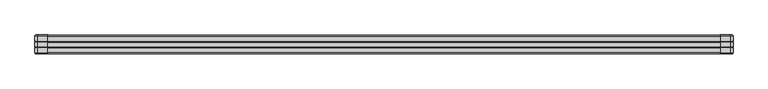
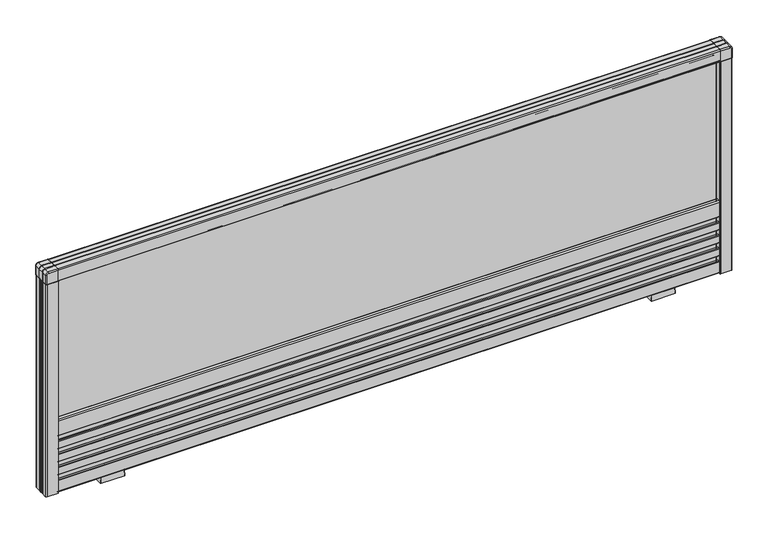
"""IFC4 building model written with IfcOpenShell, lengths in millimetres: furniture geometry."""

from ifc_helpers import new_model, si_unit, point, frame, frame_2d, origin, place, context, project, spatial, polyline, circle_curve, ellipse_curve, trimmed, segment, composite_curve, outline, extrude, source, transform, mapped, element, save
from ifc_brep_helpers import plane_surface, cylinder_surface, revolved_surface, extruded_surface, advanced_brep


def furniture_46325748(model_context):
    return source(origin(), model_context, "Body", "SolidModel", [
        extrude(outline(composite_curve([segment(polyline([(-3.25, 377.0), (-12.65, 377.0)]), True, "CONTINUOUS"), segment(trimmed(circle_curve(frame_2d((-12.65, 377.5)), 0.5), [point((-12.65, 377.0))], [point((-13.15, 377.5))], False, "CARTESIAN"), True, "CONTINUOUS"), segment(polyline([(-13.15, 377.5), (-13.15, 383.995804), (13.15, 383.995804), (13.15, 377.5)]), True, "CONTINUOUS"), segment(trimmed(circle_curve(frame_2d((12.65, 377.5)), 0.5), [point((13.15, 377.5))], [point((12.65, 377.0))], False, "CARTESIAN"), True, "CONTINUOUS"), segment(polyline([(12.65, 377.0), (3.25, 377.0)]), True, "CONTINUOUS"), segment(trimmed(circle_curve(frame_2d((3.25, 377.5)), 0.5), [point((3.25, 377.0))], [point((2.75, 377.5))], False, "CARTESIAN"), True, "CONTINUOUS"), segment(polyline([(2.75, 377.5), (2.75, 382.495804), (-2.75, 382.495804), (-2.75, 377.5)]), True, "CONTINUOUS"), segment(trimmed(circle_curve(frame_2d((-3.25, 377.5)), 0.5), [point((-2.75, 377.5))], [point((-3.25, 377.0))], False, "CARTESIAN"), True, "CONTINUOUS")], self_intersect=False)), frame((-541.0, 0.0, 0.0), z_axis=(1.0, 0.0, 0.0), x_axis=(0.0, 1.0, 0.0)), (0.0, 0.0, 1.0), 1082.0),
        extrude(outline(composite_curve([segment(trimmed(circle_curve(frame_2d((-13.0, 395.0)), 2.0), [point((-15.0, 395.0))], [point((-13.0, 397.0))], False, "CARTESIAN"), True, "CONTINUOUS"), segment(polyline([(-13.0, 397.0), (-5.2141428, 397.0)]), True, "CONTINUOUS"), segment(trimmed(circle_curve(frame_2d((-4.5, 397.7)), 1.0), [point((-5.2141428, 397.0))], [point((-3.7858572, 397.0))], True, "CARTESIAN"), True, "CONTINUOUS"), segment(polyline([(-3.7858572, 397.0), (3.7858572, 397.0)]), True, "CONTINUOUS"), segment(trimmed(circle_curve(frame_2d((4.5, 397.7)), 1.0), [point((3.7858572, 397.0))], [point((5.2141428, 397.0))], True, "CARTESIAN"), True, "CONTINUOUS"), segment(polyline([(5.2141428, 397.0), (13.0, 397.0)]), True, "CONTINUOUS"), segment(trimmed(circle_curve(frame_2d((13.0, 395.0)), 2.0), [point((13.0, 397.0))], [point((15.0, 395.0))], False, "CARTESIAN"), True, "CONTINUOUS"), segment(polyline([(15.0, 395.0), (15.0, 377.5)]), True, "CONTINUOUS"), segment(trimmed(circle_curve(frame_2d((14.5, 377.5)), 0.5), [point((15.0, 377.5))], [point((14.5, 377.0))], False, "CARTESIAN"), True, "CONTINUOUS"), segment(polyline([(14.5, 377.0), (13.15, 377.0), (13.15, 383.995804), (-13.15, 383.995804), (-13.15, 377.0), (-14.5, 377.0)]), True, "CONTINUOUS"), segment(trimmed(circle_curve(frame_2d((-14.5, 377.5)), 0.5), [point((-14.5, 377.0))], [point((-15.0, 377.5))], False, "CARTESIAN"), True, "CONTINUOUS"), segment(polyline([(-15.0, 377.5), (-15.0, 395.0)]), True, "CONTINUOUS")], self_intersect=False)), frame((-541.0, 0.0, 0.0), z_axis=(1.0, 0.0, 0.0), x_axis=(0.0, 1.0, 0.0)), (0.0, 0.0, 1.0), 1082.0),
        extrude(outline(composite_curve([segment(trimmed(circle_curve(frame_2d((-12.0, 30.0)), 1.0), [point((-13.0, 30.0))], [point((-12.0, 31.0))], False, "CARTESIAN"), True, "CONTINUOUS"), segment(polyline([(-12.0, 31.0), (-9.2004126, 31.0), (-9.2004126, 25.0), (-1.7500068, 25.0), (-1.7500068, 46.0), (-9.2004126, 46.0), (-9.2004126, 40.0), (-12.0, 40.0)]), True, "CONTINUOUS"), segment(trimmed(circle_curve(frame_2d((-12.0, 41.0)), 1.0), [point((-12.0, 40.0))], [point((-13.0, 41.0))], False, "CARTESIAN"), True, "CONTINUOUS"), segment(polyline([(-13.0, 41.0), (-13.0, 52.5)]), True, "CONTINUOUS"), segment(trimmed(circle_curve(frame_2d((-12.0, 52.5)), 1.0), [point((-13.0, 52.5))], [point((-12.0, 53.5))], False, "CARTESIAN"), True, "CONTINUOUS"), segment(polyline([(-12.0, 53.5), (-9.2004126, 53.5), (-9.2004126, 47.5), (-1.7500068, 47.5), (-1.7500068, 68.5), (-9.2004126, 68.5), (-9.2004126, 62.5), (-12.0, 62.5)]), True, "CONTINUOUS"), segment(trimmed(circle_curve(frame_2d((-12.0, 63.5)), 1.0), [point((-12.0, 62.5))], [point((-13.0, 63.5))], False, "CARTESIAN"), True, "CONTINUOUS"), segment(polyline([(-13.0, 63.5), (-13.0, 75.0)]), True, "CONTINUOUS"), segment(trimmed(circle_curve(frame_2d((-12.0, 75.0)), 1.0), [point((-13.0, 75.0))], [point((-12.0, 76.0))], False, "CARTESIAN"), True, "CONTINUOUS"), segment(polyline([(-12.0, 76.0), (-9.2004126, 76.0), (-9.2004126, 70.0), (-1.7500068, 70.0), (-1.7500068, 91.0), (-9.2004126, 91.0), (-9.2004126, 85.0), (-12.0, 85.0)]), True, "CONTINUOUS"), segment(trimmed(circle_curve(frame_2d((-12.0, 86.0)), 1.0), [point((-12.0, 85.0))], [point((-13.0, 86.0))], False, "CARTESIAN"), True, "CONTINUOUS"), segment(polyline([(-13.0, 86.0), (-13.0, 97.5)]), True, "CONTINUOUS"), segment(trimmed(circle_curve(frame_2d((-12.0, 97.5)), 1.0), [point((-13.0, 97.5))], [point((-12.0, 98.5))], False, "CARTESIAN"), True, "CONTINUOUS"), segment(polyline([(-12.0, 98.5), (-9.2004126, 98.5), (-9.2004126, 92.5), (-1.7500068, 92.5), (-1.7500068, 113.5), (-9.2004126, 113.5), (-9.2004126, 107.5), (-12.0, 107.5)]), True, "CONTINUOUS"), segment(trimmed(circle_curve(frame_2d((-12.0, 108.5)), 1.0), [point((-12.0, 107.5))], [point((-13.0, 108.5))], False, "CARTESIAN"), True, "CONTINUOUS"), segment(polyline([(-13.0, 108.5), (-13.0, 133.0)]), True, "CONTINUOUS"), segment(trimmed(circle_curve(frame_2d((-11.0, 133.0)), 2.0), [point((-13.0, 133.0))], [point((-11.0, 135.0))], False, "CARTESIAN"), True, "CONTINUOUS"), segment(polyline([(-11.0, 135.0), (-6.0, 135.0)]), True, "CONTINUOUS"), segment(trimmed(circle_curve(frame_2d((-6.0, 134.5)), 0.5), [point((-6.0, 135.0))], [point((-5.5, 134.5))], False, "CARTESIAN"), True, "CONTINUOUS"), segment(polyline([(-5.5, 134.5), (-5.5, 115.0), (0.0, 115.0), (5.5, 115.0), (5.5, 134.5)]), True, "CONTINUOUS"), segment(trimmed(circle_curve(frame_2d((6.0, 134.5)), 0.5), [point((5.5, 134.5))], [point((6.0, 135.0))], False, "CARTESIAN"), True, "CONTINUOUS"), segment(polyline([(6.0, 135.0), (11.0, 135.0)]), True, "CONTINUOUS"), segment(trimmed(circle_curve(frame_2d((11.0, 133.0)), 2.0), [point((11.0, 135.0))], [point((13.0, 133.0))], False, "CARTESIAN"), True, "CONTINUOUS"), segment(polyline([(13.0, 133.0), (13.0, 108.5)]), True, "CONTINUOUS"), segment(trimmed(circle_curve(frame_2d((12.0, 108.5)), 1.0), [point((13.0, 108.5))], [point((12.0, 107.5))], False, "CARTESIAN"), True, "CONTINUOUS"), segment(polyline([(12.0, 107.5), (9.2004126, 107.5), (9.2004126, 113.5), (1.7500068, 113.5), (1.7500068, 92.5), (9.2004126, 92.5), (9.2004126, 98.5), (12.0, 98.5)]), True, "CONTINUOUS"), segment(trimmed(circle_curve(frame_2d((12.0, 97.5)), 1.0), [point((12.0, 98.5))], [point((13.0, 97.5))], False, "CARTESIAN"), True, "CONTINUOUS"), segment(polyline([(13.0, 97.5), (13.0, 86.0)]), True, "CONTINUOUS"), segment(trimmed(circle_curve(frame_2d((12.0, 86.0)), 1.0), [point((13.0, 86.0))], [point((12.0, 85.0))], False, "CARTESIAN"), True, "CONTINUOUS"), segment(polyline([(12.0, 85.0), (9.2004126, 85.0), (9.2004126, 91.0), (1.7500068, 91.0), (1.7500068, 70.0), (9.2004126, 70.0), (9.2004126, 76.0), (12.0, 76.0)]), True, "CONTINUOUS"), segment(trimmed(circle_curve(frame_2d((12.0, 75.0)), 1.0), [point((12.0, 76.0))], [point((13.0, 75.0))], False, "CARTESIAN"), True, "CONTINUOUS"), segment(polyline([(13.0, 75.0), (13.0, 63.5)]), True, "CONTINUOUS"), segment(trimmed(circle_curve(frame_2d((12.0, 63.5)), 1.0), [point((13.0, 63.5))], [point((12.0, 62.5))], False, "CARTESIAN"), True, "CONTINUOUS"), segment(polyline([(12.0, 62.5), (9.2004126, 62.5), (9.2004126, 68.5), (1.7500068, 68.5), (1.7500068, 47.5), (9.2004126, 47.5), (9.2004126, 53.5), (12.0, 53.5)]), True, "CONTINUOUS"), segment(trimmed(circle_curve(frame_2d((12.0, 52.5)), 1.0), [point((12.0, 53.5))], [point((13.0, 52.5))], False, "CARTESIAN"), True, "CONTINUOUS"), segment(polyline([(13.0, 52.5), (13.0, 41.0)]), True, "CONTINUOUS"), segment(trimmed(circle_curve(frame_2d((12.0, 41.0)), 1.0), [point((13.0, 41.0))], [point((12.0, 40.0))], False, "CARTESIAN"), True, "CONTINUOUS"), segment(polyline([(12.0, 40.0), (9.2004126, 40.0), (9.2004126, 46.0), (1.7500068, 46.0), (1.7500068, 25.0), (9.2004126, 25.0), (9.2004126, 31.0), (12.0, 31.0)]), True, "CONTINUOUS"), segment(trimmed(circle_curve(frame_2d((12.0, 30.0)), 1.0), [point((12.0, 31.0))], [point((13.0, 30.0))], False, "CARTESIAN"), True, "CONTINUOUS"), segment(polyline([(13.0, 30.0), (13.0, 12.0)]), True, "CONTINUOUS"), segment(trimmed(circle_curve(frame_2d((11.0, 12.0)), 2.0), [point((13.0, 12.0))], [point((11.0, 10.0))], False, "CARTESIAN"), True, "CONTINUOUS"), segment(polyline([(11.0, 10.0), (0.0, 10.0), (-11.0, 10.0)]), True, "CONTINUOUS"), segment(trimmed(circle_curve(frame_2d((-11.0, 12.0)), 2.0), [point((-11.0, 10.0))], [point((-13.0, 12.0))], False, "CARTESIAN"), True, "CONTINUOUS"), segment(polyline([(-13.0, 12.0), (-13.0, 30.0)]), True, "CONTINUOUS")], self_intersect=False)), frame((-541.0, 0.0, 0.0), z_axis=(1.0, 0.0, 0.0), x_axis=(0.0, 1.0, 0.0)), (0.0, 0.0, 1.0), 1082.0),
        extrude(outline(composite_curve([segment(polyline([(541.5, 13.15), (548.0, 13.15), (548.0, -13.15), (541.5, -13.15)]), True, "CONTINUOUS"), segment(trimmed(circle_curve(frame_2d((541.5, -12.65)), 0.5), [point((541.5, -13.15))], [point((541.0, -12.65))], False, "CARTESIAN"), True, "CONTINUOUS"), segment(polyline([(541.0, -12.65), (541.0, -3.25)]), True, "CONTINUOUS"), segment(trimmed(circle_curve(frame_2d((541.5, -3.25)), 0.5), [point((541.0, -3.25))], [point((541.5, -2.75))], False, "CARTESIAN"), True, "CONTINUOUS"), segment(polyline([(541.5, -2.75), (546.5, -2.75), (546.5, 2.75), (541.5, 2.75)]), True, "CONTINUOUS"), segment(trimmed(circle_curve(frame_2d((541.5, 3.25)), 0.5), [point((541.5, 2.75))], [point((541.0, 3.25))], False, "CARTESIAN"), True, "CONTINUOUS"), segment(polyline([(541.0, 3.25), (541.0, 12.65)]), True, "CONTINUOUS"), segment(trimmed(circle_curve(frame_2d((541.5, 12.65)), 0.5), [point((541.0, 12.65))], [point((541.5, 13.15))], False, "CARTESIAN"), True, "CONTINUOUS")], self_intersect=False)), frame((0.0, 0.0, 10.0), z_axis=(0.0, 0.0, 1.0), x_axis=(1.0, 0.0, 0.0)), (0.0, 0.0, 1.0), 367.0),
        extrude(outline(composite_curve([segment(polyline([(561.0, 3.7858572), (561.0, 0.0), (561.0, -3.7858572)]), True, "CONTINUOUS"), segment(trimmed(circle_curve(frame_2d((561.7, -4.5)), 1.0), [point((561.0, -3.7858572))], [point((561.0, -5.2141428))], True, "CARTESIAN"), True, "CONTINUOUS"), segment(polyline([(561.0, -5.2141428), (561.0, -13.0)]), True, "CONTINUOUS"), segment(trimmed(circle_curve(frame_2d((559.0, -13.0)), 2.0), [point((561.0, -13.0))], [point((559.0, -15.0))], False, "CARTESIAN"), True, "CONTINUOUS"), segment(polyline([(559.0, -15.0), (541.5, -15.0)]), True, "CONTINUOUS"), segment(trimmed(circle_curve(frame_2d((541.5, -14.5)), 0.5), [point((541.5, -15.0))], [point((541.0, -14.5))], False, "CARTESIAN"), True, "CONTINUOUS"), segment(polyline([(541.0, -14.5), (541.0, -13.15), (548.0, -13.15), (548.0, 0.0), (548.0, 13.15), (541.0, 13.15), (541.0, 14.5)]), True, "CONTINUOUS"), segment(trimmed(circle_curve(frame_2d((541.5, 14.5)), 0.5), [point((541.0, 14.5))], [point((541.5, 15.0))], False, "CARTESIAN"), True, "CONTINUOUS"), segment(polyline([(541.5, 15.0), (559.0, 15.0)]), True, "CONTINUOUS"), segment(trimmed(circle_curve(frame_2d((559.0, 13.0)), 2.0), [point((559.0, 15.0))], [point((561.0, 13.0))], False, "CARTESIAN"), True, "CONTINUOUS"), segment(polyline([(561.0, 13.0), (561.0, 5.2141428)]), True, "CONTINUOUS"), segment(trimmed(circle_curve(frame_2d((561.7, 4.5)), 1.0), [point((561.0, 5.2141428))], [point((561.0, 3.7858572))], True, "CARTESIAN"), True, "CONTINUOUS")], self_intersect=False)), frame((0.0, 0.0, 10.0), z_axis=(0.0, 0.0, 1.0), x_axis=(1.0, 0.0, 0.0)), (0.0, 0.0, 1.0), 367.0),
        extrude(outline(composite_curve([segment(polyline([(-541.5, -13.15), (-548.0, -13.15), (-548.0, 13.15), (-541.5, 13.15)]), True, "CONTINUOUS"), segment(trimmed(circle_curve(frame_2d((-541.5, 12.65)), 0.5), [point((-541.5, 13.15))], [point((-541.0, 12.65))], False, "CARTESIAN"), True, "CONTINUOUS"), segment(polyline([(-541.0, 12.65), (-541.0, 3.25)]), True, "CONTINUOUS"), segment(trimmed(circle_curve(frame_2d((-541.5, 3.25)), 0.5), [point((-541.0, 3.25))], [point((-541.5, 2.75))], False, "CARTESIAN"), True, "CONTINUOUS"), segment(polyline([(-541.5, 2.75), (-546.5, 2.75), (-546.5, -2.75), (-541.5, -2.75)]), True, "CONTINUOUS"), segment(trimmed(circle_curve(frame_2d((-541.5, -3.25)), 0.5), [point((-541.5, -2.75))], [point((-541.0, -3.25))], False, "CARTESIAN"), True, "CONTINUOUS"), segment(polyline([(-541.0, -3.25), (-541.0, -12.65)]), True, "CONTINUOUS"), segment(trimmed(circle_curve(frame_2d((-541.5, -12.65)), 0.5), [point((-541.0, -12.65))], [point((-541.5, -13.15))], False, "CARTESIAN"), True, "CONTINUOUS")], self_intersect=False)), frame((0.0, 0.0, 10.0), z_axis=(0.0, 0.0, 1.0), x_axis=(1.0, 0.0, 0.0)), (0.0, 0.0, 1.0), 367.0),
        extrude(outline(composite_curve([segment(polyline([(-561.0, -3.7858572), (-561.0, 0.0), (-561.0, 3.7858572)]), True, "CONTINUOUS"), segment(trimmed(circle_curve(frame_2d((-561.7, 4.5)), 1.0), [point((-561.0, 3.7858572))], [point((-561.0, 5.2141428))], True, "CARTESIAN"), True, "CONTINUOUS"), segment(polyline([(-561.0, 5.2141428), (-561.0, 13.0)]), True, "CONTINUOUS"), segment(trimmed(circle_curve(frame_2d((-559.0, 13.0)), 2.0), [point((-561.0, 13.0))], [point((-559.0, 15.0))], False, "CARTESIAN"), True, "CONTINUOUS"), segment(polyline([(-559.0, 15.0), (-541.5, 15.0)]), True, "CONTINUOUS"), segment(trimmed(circle_curve(frame_2d((-541.5, 14.5)), 0.5), [point((-541.5, 15.0))], [point((-541.0, 14.5))], False, "CARTESIAN"), True, "CONTINUOUS"), segment(polyline([(-541.0, 14.5), (-541.0, 13.15), (-548.0, 13.15), (-548.0, 0.0), (-548.0, -13.15), (-541.0, -13.15), (-541.0, -14.5)]), True, "CONTINUOUS"), segment(trimmed(circle_curve(frame_2d((-541.5, -14.5)), 0.5), [point((-541.0, -14.5))], [point((-541.5, -15.0))], False, "CARTESIAN"), True, "CONTINUOUS"), segment(polyline([(-541.5, -15.0), (-559.0, -15.0)]), True, "CONTINUOUS"), segment(trimmed(circle_curve(frame_2d((-559.0, -13.0)), 2.0), [point((-559.0, -15.0))], [point((-561.0, -13.0))], False, "CARTESIAN"), True, "CONTINUOUS"), segment(polyline([(-561.0, -13.0), (-561.0, -5.2141428)]), True, "CONTINUOUS"), segment(trimmed(circle_curve(frame_2d((-561.7, -4.5)), 1.0), [point((-561.0, -5.2141428))], [point((-561.0, -3.7858572))], True, "CARTESIAN"), True, "CONTINUOUS")], self_intersect=False)), frame((0.0, 0.0, 10.0), z_axis=(0.0, 0.0, 1.0), x_axis=(1.0, 0.0, 0.0)), (0.0, 0.0, 1.0), 367.0),
        advanced_brep(
        [(559.25, -15.25, 377.0), (559.25, -15.25, 393.0), (557.0, -15.25, 395.25), (541.0, -15.25, 395.25), (541.0, -15.25, 377.0), (541.0, 15.25, 395.25), (557.0, 15.25, 395.25), (559.25, 15.25, 393.0), (559.25, 15.25, 377.0), (541.0, 15.25, 377.0), (541.0, 3.75, 397.25), (541.0, -3.75, 397.25), (557.0, -3.75, 397.25), (557.0, 3.75, 397.25), (541.0, -5.25, 397.25), (541.0, -13.25, 397.25), (557.0, -13.25, 397.25), (557.0, -5.25, 397.25), (557.0, 5.25, 397.25), (557.0, 13.25, 397.25), (541.0, 13.25, 397.25), (541.0, 5.25, 397.25), (561.25, -3.75, 393.0), (561.25, 3.75, 393.0), (561.25, -13.25, 393.0), (561.25, -5.25, 393.0), (561.25, 5.25, 393.0), (561.25, 13.25, 393.0), (561.25, -3.75, 377.0), (561.25, 3.75, 377.0), (561.25, -13.25, 377.0), (561.25, -5.25, 377.0), (561.25, 5.25, 377.0), (561.25, 13.25, 377.0)],
        [
            (0, 1),
            (1, 2, circle_curve(frame((557.0, -15.25, 393.0), z_axis=(0.0, -1.0, 0.0), x_axis=(1.0, 0.0, 0.0)), 2.25)),
            (2, 3),
            (3, 4),
            (4, 0),
            (5, 6),
            (6, 7, circle_curve(frame((557.0, 15.25, 393.0), z_axis=(0.0, 1.0, 0.0), x_axis=(1.0, 0.0, 0.0)), 2.25)),
            (7, 8),
            (8, 9),
            (9, 5),
            (10, 11),
            (11, 12),
            (12, 13),
            (13, 10),
            (14, 15),
            (15, 16),
            (16, 17),
            (17, 14),
            (18, 19),
            (19, 20),
            (20, 21),
            (21, 18),
            (12, 22, circle_curve(frame((557.0, -3.75, 393.0), z_axis=(0.0, 1.0, 0.0), x_axis=(-1.0, 0.0, 0.0)), 4.25)),
            (22, 23),
            (23, 13, circle_curve(frame((557.0, 3.75, 393.0), z_axis=(0.0, -1.0, 0.0), x_axis=(-1.0, 0.0, 0.0)), 4.25)),
            (16, 24, circle_curve(frame((557.0, -13.25, 393.0), z_axis=(0.0, 1.0, 0.0), x_axis=(-1.0, 0.0, 0.0)), 4.25)),
            (24, 25),
            (25, 17, circle_curve(frame((557.0, -5.25, 393.0), z_axis=(0.0, -1.0, 0.0), x_axis=(-1.0, 0.0, 0.0)), 4.25)),
            (26, 27),
            (27, 19, circle_curve(frame((557.0, 13.25, 393.0), z_axis=(0.0, -1.0, 0.0), x_axis=(-1.0, 0.0, 0.0)), 4.25)),
            (18, 26, circle_curve(frame((557.0, 5.25, 393.0), z_axis=(0.0, 1.0, 0.0), x_axis=(-1.0, 0.0, 0.0)), 4.25)),
            (22, 28),
            (28, 29),
            (29, 23),
            (24, 30),
            (30, 31),
            (31, 25),
            (32, 33),
            (33, 27),
            (26, 32),
            (8, 33, circle_curve(frame((559.25, 13.25, 377.0), z_axis=(0.0, 0.0, -1.0), x_axis=(0.0, -1.0, 0.0)), 2.0)),
            (32, 29, circle_curve(frame((561.9114378, 4.5, 377.0), z_axis=(0.0, 0.0, 1.0), x_axis=(0.0, 1.0, 0.0)), 1.0)),
            (28, 31, circle_curve(frame((561.9114378, -4.5, 377.0), z_axis=(0.0, 0.0, 1.0), x_axis=(0.0, 1.0, 0.0)), 1.0)),
            (30, 0, circle_curve(frame((559.25, -13.25, 377.0), z_axis=(0.0, 0.0, -1.0), x_axis=(0.0, 1.0, 0.0)), 2.0)),
            (4, 9),
            (3, 15, circle_curve(frame((541.0, -13.25, 395.25), z_axis=(-1.0, 0.0, 0.0), x_axis=(0.0, 1.0, 0.0)), 2.0)),
            (14, 11, circle_curve(frame((541.0, -4.5, 397.9114378), z_axis=(1.0, 0.0, 0.0), x_axis=(0.0, 1.0, 0.0)), 1.0)),
            (10, 21, circle_curve(frame((541.0, 4.5, 397.9114378), z_axis=(1.0, 0.0, 0.0), x_axis=(0.0, 1.0, 0.0)), 1.0)),
            (20, 5, circle_curve(frame((541.0, 13.25, 395.25), z_axis=(-1.0, 0.0, 0.0), x_axis=(0.0, -1.0, 0.0)), 2.0)),
            (26, 23, circle_curve(frame((561.9114378, 4.5, 393.0), z_axis=(0.0, 0.0, 1.0), x_axis=(0.0, 1.0, 0.0)), 1.0)),
            (18, 13, circle_curve(frame((557.0, 4.5, 397.9114378), z_axis=(-1.0, 0.0, 0.0), x_axis=(0.0, 1.0, 0.0)), 1.0)),
            (22, 25, circle_curve(frame((561.9114378, -4.5, 393.0), z_axis=(0.0, 0.0, 1.0), x_axis=(0.0, 1.0, 0.0)), 1.0)),
            (12, 17, circle_curve(frame((557.0, -4.5, 397.9114378), z_axis=(-1.0, 0.0, 0.0), x_axis=(0.0, 1.0, 0.0)), 1.0)),
            (24, 1, circle_curve(frame((559.25, -13.25, 393.0), z_axis=(0.0, 0.0, -1.0), x_axis=(0.0, 1.0, 0.0)), 2.0)),
            (16, 2, circle_curve(frame((557.0, -13.25, 395.25), z_axis=(1.0, 0.0, 0.0), x_axis=(0.0, 1.0, 0.0)), 2.0)),
            (7, 27, circle_curve(frame((559.25, 13.25, 393.0), z_axis=(0.0, 0.0, -1.0), x_axis=(0.0, -1.0, 0.0)), 2.0)),
            (6, 19, circle_curve(frame((557.0, 13.25, 395.25), z_axis=(1.0, 0.0, 0.0), x_axis=(0.0, -1.0, 0.0)), 2.0)),
        ],
        [
            plane_surface(frame((561.25, -15.25, 397.25), z_axis=(0.0, -1.0, 0.0), x_axis=(1.0, 0.0, 0.0))),
            plane_surface(frame((561.25, 15.25, 397.25), z_axis=(0.0, 1.0, 0.0), x_axis=(-1.0, 0.0, 0.0))),
            plane_surface(frame((541.0, -15.25, 397.25), z_axis=(0.0, 0.0, 1.0), x_axis=(0.0, 1.0, 0.0))),
            cylinder_surface(frame((557.0, 15.25, 393.0), z_axis=(0.0, -1.0, 0.0), x_axis=(-1.0, 0.0, 0.0)), 4.25),
            plane_surface(frame((561.25, -15.25, 393.0), z_axis=(1.0, 0.0, 0.0), x_axis=(0.0, 1.0, 0.0))),
            plane_surface(frame((561.25, -15.25, 377.0), z_axis=(0.0, 0.0, -1.0), x_axis=(0.0, 1.0, 0.0))),
            plane_surface(frame((541.0, -15.25, 377.0), z_axis=(-1.0, 0.0, 0.0), x_axis=(0.0, 1.0, 0.0))),
            revolved_surface(polyline([(561.9114378, 5.5, 377.0), (561.9114378, 5.5, 393.0)]), (561.9114378, 4.5, 377.0), (0.0, 0.0, -1.0)),
            revolved_surface(trimmed(ellipse_curve(frame((561.9114378, 4.5, 393.0), z_axis=(0.0, 0.0, -1.0), x_axis=(0.0, 1.0, 0.0)), 1.0, 1.0), [point((561.9505813, 3.5007664, 393.0))], [point((561.9505813, 5.4992336, 393.0))], True, "CARTESIAN"), (557.0, 4.5, 393.0), (0.0, 1.0, 0.0)),
            revolved_surface(polyline([(557.0, 5.5, 397.9114378), (541.0, 5.5, 397.9114378)]), (557.0, 4.5, 397.9114378), (1.0, 0.0, 0.0)),
            revolved_surface(polyline([(561.9114378, -3.5, 377.0), (561.9114378, -3.5, 393.0)]), (561.9114378, -4.5, 377.0), (0.0, 0.0, -1.0)),
            revolved_surface(trimmed(ellipse_curve(frame((561.9114378, -4.5, 393.0), z_axis=(0.0, 0.0, -1.0), x_axis=(0.0, 1.0, 0.0)), 1.0, 1.0), [point((561.9251148, -5.4999065, 393.0))], [point((561.9251148, -3.5000935, 393.0))], True, "CARTESIAN"), (557.0, -4.5, 393.0), (0.0, 1.0, 0.0)),
            revolved_surface(polyline([(557.0, -3.5, 397.9114378), (541.0, -3.5, 397.9114378)]), (557.0, -4.5, 397.9114378), (1.0, 0.0, 0.0)),
            cylinder_surface(frame((559.25, -13.25, 377.0), z_axis=(0.0, 0.0, 1.0), x_axis=(0.0, 1.0, 0.0)), 2.0),
            revolved_surface(trimmed(ellipse_curve(frame((559.25, -13.25, 393.0), z_axis=(0.0, 0.0, 1.0), x_axis=(0.0, 1.0, 0.0)), 2.0, 2.0), [point((559.25, -15.25, 393.0))], [point((561.25, -13.25, 393.0))], True, "CARTESIAN"), (557.0, -15.25, 393.0), (0.0, 1.0, 0.0)),
            cylinder_surface(frame((557.0, -13.25, 395.25), z_axis=(-1.0, 0.0, 0.0), x_axis=(0.0, 1.0, 0.0)), 2.0),
            cylinder_surface(frame((559.25, 13.25, 377.0), z_axis=(0.0, 0.0, 1.0), x_axis=(0.0, -1.0, 0.0)), 2.0),
            revolved_surface(trimmed(ellipse_curve(frame((559.25, 13.25, 393.0), z_axis=(0.0, 0.0, 1.0), x_axis=(0.0, -1.0, 0.0)), 2.0, 2.0), [point((561.25, 13.25, 393.0))], [point((559.25, 15.25, 393.0))], True, "CARTESIAN"), (557.0, 15.25, 393.0), (0.0, 1.0, 0.0)),
            cylinder_surface(frame((557.0, 13.25, 395.25), z_axis=(-1.0, 0.0, 0.0), x_axis=(0.0, -1.0, 0.0)), 2.0),
        ],
        [
            (0, [[1, 2, 3, 4, 5]]),
            (1, [[6, 7, 8, 9, 10]]),
            (2, [[11, 12, 13, 14]]),
            (2, [[15, 16, 17, 18]]),
            (2, [[19, 20, 21, 22]]),
            (3, [[-13, 23, 24, 25]]),
            (3, [[-17, 26, 27, 28]]),
            (3, [[29, 30, -19, 31]]),
            (4, [[-24, 32, 33, 34]]),
            (4, [[-27, 35, 36, 37]]),
            (4, [[38, 39, -29, 40]]),
            (5, [[-9, 41, -38, 42, -33, 43, -36, 44, -5, 45]]),
            (6, [[-4, 46, -15, 47, -11, 48, -21, 49, -10, -45]]),
            (7, [[-34, -42, -40, 50]]),
            (8, [[-25, -50, -31, 51]]),
            (9, [[-22, -48, -14, -51]]),
            (10, [[-37, -43, -32, 52]]),
            (11, [[-28, -52, -23, 53]]),
            (12, [[-12, -47, -18, -53]]),
            (13, [[-1, -44, -35, 54]]),
            (14, [[-26, 55, -2, -54]]),
            (15, [[-16, -46, -3, -55]]),
            (16, [[-39, -41, -8, 56]]),
            (17, [[-7, 57, -30, -56]]),
            (18, [[-6, -49, -20, -57]]),
        ],
    ),
        advanced_brep(
        [(-559.25, -15.25, 377.0), (-541.0, -15.25, 377.0), (-541.0, -15.25, 395.25), (-557.0, -15.25, 395.25), (-559.25, -15.25, 393.0), (-541.0, 15.25, 395.25), (-541.0, 15.25, 377.0), (-559.25, 15.25, 377.0), (-559.25, 15.25, 393.0), (-557.0, 15.25, 395.25), (-557.0, 5.25, 397.25), (-541.0, 5.25, 397.25), (-541.0, 13.25, 397.25), (-557.0, 13.25, 397.25), (-541.0, 3.75, 397.25), (-557.0, 3.75, 397.25), (-557.0, -3.75, 397.25), (-541.0, -3.75, 397.25), (-541.0, -5.25, 397.25), (-557.0, -5.25, 397.25), (-557.0, -13.25, 397.25), (-541.0, -13.25, 397.25), (-561.25, 3.75, 393.0), (-561.25, -3.75, 393.0), (-561.25, 5.25, 393.0), (-561.25, 13.25, 393.0), (-561.25, -5.25, 393.0), (-561.25, -13.25, 393.0), (-561.25, 3.75, 377.0), (-561.25, -3.75, 377.0), (-561.25, 5.25, 377.0), (-561.25, 13.25, 377.0), (-561.25, -5.25, 377.0), (-561.25, -13.25, 377.0)],
        [
            (0, 1),
            (1, 2),
            (2, 3),
            (3, 4, circle_curve(frame((-557.0, -15.25, 393.0), z_axis=(0.0, -1.0, 0.0), x_axis=(-1.0, 0.0, 0.0)), 2.25)),
            (4, 0),
            (5, 6),
            (6, 7),
            (7, 8),
            (8, 9, circle_curve(frame((-557.0, 15.25, 393.0), z_axis=(0.0, 1.0, 0.0), x_axis=(-1.0, 0.0, 0.0)), 2.25)),
            (9, 5),
            (10, 11),
            (11, 12),
            (12, 13),
            (13, 10),
            (14, 15),
            (15, 16),
            (16, 17),
            (17, 14),
            (18, 19),
            (19, 20),
            (20, 21),
            (21, 18),
            (15, 22, circle_curve(frame((-557.0, 3.75, 393.0), z_axis=(0.0, -1.0, 0.0), x_axis=(1.0, 0.0, 0.0)), 4.25)),
            (22, 23),
            (23, 16, circle_curve(frame((-557.0, -3.75, 393.0), z_axis=(0.0, 1.0, 0.0), x_axis=(1.0, 0.0, 0.0)), 4.25)),
            (24, 10, circle_curve(frame((-557.0, 5.25, 393.0), z_axis=(0.0, 1.0, 0.0), x_axis=(1.0, 0.0, 0.0)), 4.25)),
            (13, 25, circle_curve(frame((-557.0, 13.25, 393.0), z_axis=(0.0, -1.0, 0.0), x_axis=(1.0, 0.0, 0.0)), 4.25)),
            (25, 24),
            (19, 26, circle_curve(frame((-557.0, -5.25, 393.0), z_axis=(0.0, -1.0, 0.0), x_axis=(1.0, 0.0, 0.0)), 4.25)),
            (26, 27),
            (27, 20, circle_curve(frame((-557.0, -13.25, 393.0), z_axis=(0.0, 1.0, 0.0), x_axis=(1.0, 0.0, 0.0)), 4.25)),
            (22, 28),
            (28, 29),
            (29, 23),
            (30, 24),
            (25, 31),
            (31, 30),
            (26, 32),
            (32, 33),
            (33, 27),
            (6, 1),
            (0, 33, circle_curve(frame((-559.25, -13.25, 377.0), z_axis=(0.0, 0.0, -1.0), x_axis=(0.0, 1.0, 0.0)), 2.0)),
            (32, 29, circle_curve(frame((-561.9114378, -4.5, 377.0), z_axis=(0.0, 0.0, 1.0), x_axis=(0.0, 1.0, 0.0)), 1.0)),
            (28, 30, circle_curve(frame((-561.9114378, 4.5, 377.0), z_axis=(0.0, 0.0, 1.0), x_axis=(0.0, 1.0, 0.0)), 1.0)),
            (31, 7, circle_curve(frame((-559.25, 13.25, 377.0), z_axis=(0.0, 0.0, -1.0), x_axis=(0.0, -1.0, 0.0)), 2.0)),
            (5, 12, circle_curve(frame((-541.0, 13.25, 395.25), z_axis=(1.0, 0.0, 0.0), x_axis=(0.0, -1.0, 0.0)), 2.0)),
            (11, 14, circle_curve(frame((-541.0, 4.5, 397.9114378), z_axis=(-1.0, 0.0, 0.0), x_axis=(0.0, 1.0, 0.0)), 1.0)),
            (17, 18, circle_curve(frame((-541.0, -4.5, 397.9114378), z_axis=(-1.0, 0.0, 0.0), x_axis=(0.0, 1.0, 0.0)), 1.0)),
            (21, 2, circle_curve(frame((-541.0, -13.25, 395.25), z_axis=(1.0, 0.0, 0.0), x_axis=(0.0, 1.0, 0.0)), 2.0)),
            (22, 24, circle_curve(frame((-561.9114378, 4.5, 393.0), z_axis=(0.0, 0.0, 1.0), x_axis=(0.0, 1.0, 0.0)), 1.0)),
            (15, 10, circle_curve(frame((-557.0, 4.5, 397.9114378), z_axis=(1.0, 0.0, 0.0), x_axis=(0.0, 1.0, 0.0)), 1.0)),
            (26, 23, circle_curve(frame((-561.9114378, -4.5, 393.0), z_axis=(0.0, 0.0, 1.0), x_axis=(0.0, 1.0, 0.0)), 1.0)),
            (19, 16, circle_curve(frame((-557.0, -4.5, 397.9114378), z_axis=(1.0, 0.0, 0.0), x_axis=(0.0, 1.0, 0.0)), 1.0)),
            (4, 27, circle_curve(frame((-559.25, -13.25, 393.0), z_axis=(0.0, 0.0, -1.0), x_axis=(0.0, 1.0, 0.0)), 2.0)),
            (3, 20, circle_curve(frame((-557.0, -13.25, 395.25), z_axis=(-1.0, 0.0, 0.0), x_axis=(0.0, 1.0, 0.0)), 2.0)),
            (25, 8, circle_curve(frame((-559.25, 13.25, 393.0), z_axis=(0.0, 0.0, -1.0), x_axis=(0.0, -1.0, 0.0)), 2.0)),
            (13, 9, circle_curve(frame((-557.0, 13.25, 395.25), z_axis=(-1.0, 0.0, 0.0), x_axis=(0.0, -1.0, 0.0)), 2.0)),
        ],
        [
            plane_surface(frame((-561.25, -15.25, 397.25), z_axis=(0.0, -1.0, 0.0), x_axis=(-1.0, 0.0, 0.0))),
            plane_surface(frame((-561.25, 15.25, 397.25), z_axis=(0.0, 1.0, 0.0), x_axis=(1.0, 0.0, 0.0))),
            plane_surface(frame((-541.0, -15.25, 397.25), z_axis=(0.0, 0.0, 1.0), x_axis=(0.0, 1.0, 0.0))),
            cylinder_surface(frame((-557.0, 15.25, 393.0), z_axis=(0.0, -1.0, 0.0), x_axis=(1.0, 0.0, 0.0)), 4.25),
            plane_surface(frame((-561.25, -15.25, 393.0), z_axis=(-1.0, 0.0, 0.0), x_axis=(0.0, 1.0, 0.0))),
            plane_surface(frame((-561.25, -15.25, 377.0), z_axis=(0.0, 0.0, -1.0), x_axis=(0.0, 1.0, 0.0))),
            plane_surface(frame((-541.0, -15.25, 377.0), z_axis=(1.0, 0.0, 0.0), x_axis=(0.0, 1.0, 0.0))),
            revolved_surface(polyline([(-561.9114378, 5.5, 377.0), (-561.9114378, 5.5, 393.0)]), (-561.9114378, 4.5, 377.0), (0.0, 0.0, -1.0)),
            revolved_surface(trimmed(ellipse_curve(frame((-561.9114378, 4.5, 393.0), z_axis=(0.0, 0.0, 1.0), x_axis=(0.0, 1.0, 0.0)), 1.0, 1.0), [point((-561.9505813, 3.5007664, 393.0))], [point((-561.9505813, 5.4992336, 393.0))], True, "CARTESIAN"), (-557.0, 4.5, 393.0), (0.0, 1.0, 0.0)),
            revolved_surface(polyline([(-557.0, 5.5, 397.9114378), (-541.0, 5.5, 397.9114378)]), (-557.0, 4.5, 397.9114378), (-1.0, 0.0, 0.0)),
            revolved_surface(polyline([(-561.9114378, -3.5, 377.0), (-561.9114378, -3.5, 393.0)]), (-561.9114378, -4.5, 377.0), (0.0, 0.0, -1.0)),
            revolved_surface(trimmed(ellipse_curve(frame((-561.9114378, -4.5, 393.0), z_axis=(0.0, 0.0, 1.0), x_axis=(0.0, 1.0, 0.0)), 1.0, 1.0), [point((-561.9251148, -5.4999065, 393.0))], [point((-561.9251148, -3.5000935, 393.0))], True, "CARTESIAN"), (-557.0, -4.5, 393.0), (0.0, 1.0, 0.0)),
            revolved_surface(polyline([(-557.0, -3.5, 397.9114378), (-541.0, -3.5, 397.9114378)]), (-557.0, -4.5, 397.9114378), (-1.0, 0.0, 0.0)),
            cylinder_surface(frame((-559.25, -13.25, 377.0), z_axis=(0.0, 0.0, 1.0), x_axis=(0.0, 1.0, 0.0)), 2.0),
            revolved_surface(trimmed(ellipse_curve(frame((-559.25, -13.25, 393.0), z_axis=(0.0, 0.0, -1.0), x_axis=(0.0, 1.0, 0.0)), 2.0, 2.0), [point((-559.25, -15.25, 393.0))], [point((-561.25, -13.25, 393.0))], True, "CARTESIAN"), (-557.0, -15.25, 393.0), (0.0, 1.0, 0.0)),
            cylinder_surface(frame((-557.0, -13.25, 395.25), z_axis=(1.0, 0.0, 0.0), x_axis=(0.0, 1.0, 0.0)), 2.0),
            cylinder_surface(frame((-559.25, 13.25, 377.0), z_axis=(0.0, 0.0, 1.0), x_axis=(0.0, -1.0, 0.0)), 2.0),
            revolved_surface(trimmed(ellipse_curve(frame((-559.25, 13.25, 393.0), z_axis=(0.0, 0.0, -1.0), x_axis=(0.0, -1.0, 0.0)), 2.0, 2.0), [point((-561.25, 13.25, 393.0))], [point((-559.25, 15.25, 393.0))], True, "CARTESIAN"), (-557.0, 15.25, 393.0), (0.0, 1.0, 0.0)),
            cylinder_surface(frame((-557.0, 13.25, 395.25), z_axis=(1.0, 0.0, 0.0), x_axis=(0.0, -1.0, 0.0)), 2.0),
        ],
        [
            (0, [[1, 2, 3, 4, 5]]),
            (1, [[6, 7, 8, 9, 10]]),
            (2, [[11, 12, 13, 14]]),
            (2, [[15, 16, 17, 18]]),
            (2, [[19, 20, 21, 22]]),
            (3, [[23, 24, 25, -16]]),
            (3, [[26, -14, 27, 28]]),
            (3, [[29, 30, 31, -20]]),
            (4, [[32, 33, 34, -24]]),
            (4, [[35, -28, 36, 37]]),
            (4, [[38, 39, 40, -30]]),
            (5, [[41, -1, 42, -39, 43, -33, 44, -37, 45, -7]]),
            (6, [[-41, -6, 46, -12, 47, -18, 48, -22, 49, -2]]),
            (7, [[50, -35, -44, -32]]),
            (8, [[51, -26, -50, -23]]),
            (9, [[-51, -15, -47, -11]]),
            (10, [[52, -34, -43, -38]]),
            (11, [[53, -25, -52, -29]]),
            (12, [[-53, -19, -48, -17]]),
            (13, [[54, -40, -42, -5]]),
            (14, [[-54, -4, 55, -31]]),
            (15, [[-55, -3, -49, -21]]),
            (16, [[56, -8, -45, -36]]),
            (17, [[-56, -27, 57, -9]]),
            (18, [[-57, -13, -46, -10]]),
        ],
    ),
        advanced_brep(
        [(430.0, 10.849223, 0.0), (431.0, 11.849223, 0.0), (469.0, 11.849223, 0.0), (470.0, 10.849223, 0.0), (470.0, -10.849223, 0.0), (469.0, -11.849223, 0.0), (431.0, -11.849223, 0.0), (430.0, -10.849223, 0.0), (430.5, 10.5000153, 10.0), (430.5, -10.5000153, 10.0), (431.5, -11.5000153, 10.0), (468.5, -11.5000153, 10.0), (469.5, -10.5000153, 10.0), (469.5, 10.5000153, 10.0), (468.5, 11.5000153, 10.0), (431.5, 11.5000153, 10.0)],
        [
            (0, 1, circle_curve(frame((431.0, 10.849223, 0.0), z_axis=(0.0, 0.0, -1.0), x_axis=(0.0, 1.0, 0.0)), 1.0)),
            (1, 2),
            (2, 3, circle_curve(frame((469.0, 10.849223, 0.0), z_axis=(0.0, 0.0, -1.0), x_axis=(0.0, 1.0, 0.0)), 1.0)),
            (3, 4),
            (4, 5, circle_curve(frame((469.0, -10.849223, 0.0), z_axis=(0.0, 0.0, -1.0), x_axis=(0.0, 1.0, 0.0)), 1.0)),
            (5, 6),
            (6, 7, circle_curve(frame((431.0, -10.849223, 0.0), z_axis=(0.0, 0.0, -1.0), x_axis=(0.0, 1.0, 0.0)), 1.0)),
            (7, 0),
            (8, 9),
            (9, 10, circle_curve(frame((431.5, -10.5000153, 10.0), z_axis=(0.0, 0.0, 1.0), x_axis=(0.0, 1.0, 0.0)), 1.0)),
            (10, 11),
            (11, 12, circle_curve(frame((468.5, -10.5000153, 10.0), z_axis=(0.0, 0.0, 1.0), x_axis=(0.0, 1.0, 0.0)), 1.0)),
            (12, 13),
            (13, 14, circle_curve(frame((468.5, 10.5000153, 10.0), z_axis=(0.0, 0.0, 1.0), x_axis=(0.0, 1.0, 0.0)), 1.0)),
            (14, 15),
            (15, 8, circle_curve(frame((431.5, 10.5000153, 10.0), z_axis=(0.0, 0.0, 1.0), x_axis=(0.0, 1.0, 0.0)), 1.0)),
            (8, 0),
            (7, 9),
            (10, 6),
            (5, 11),
            (12, 4),
            (3, 13),
            (14, 2),
            (1, 15),
        ],
        [
            plane_surface(frame((450.0, 0.0, 0.0), z_axis=(0.0, 0.0, -1.0), x_axis=(0.0, -1.0, 0.0))),
            plane_surface(frame((450.0, 0.0, 10.0), z_axis=(0.0, 0.0, 1.0), x_axis=(0.0, -1.0, 0.0))),
            plane_surface(frame((430.5, 0.0, 10.0), z_axis=(-0.9987523388778482, 0.0, 0.04993761694382326), x_axis=(0.0, 1.0, 0.0))),
            plane_surface(frame((450.0, -11.5000153, 10.0), z_axis=(0.0, -0.9993908270190972, 0.034899496702462215), x_axis=(-1.0, 0.0, 0.0))),
            plane_surface(frame((469.5, 0.0, 10.0), z_axis=(0.9987523388778481, 0.0, 0.0499376169438241), x_axis=(0.0, -1.0, 0.0))),
            plane_surface(frame((450.0, 11.5000153, 10.0), z_axis=(0.0, 0.9993908270190972, 0.03489949670246137), x_axis=(1.0, 0.0, 0.0))),
            extruded_surface(trimmed(circle_curve(frame((431.5, 10.5000153, 10.0), z_axis=(0.0, 0.0, -1.0), x_axis=(0.0, 1.0, 0.0)), 1.0), [point((430.5, 10.5000153, 10.0))], [point((431.5, 11.5000153, 10.0))], True, "CARTESIAN"), (-0.5, 0.3492077000000009, -10.0), 10.018580039992658),
            extruded_surface(trimmed(circle_curve(frame((468.5, 10.5000153, 10.0), z_axis=(0.0, 0.0, -1.0), x_axis=(0.0, 1.0, 0.0)), 1.0), [point((468.5, 11.5000153, 10.0))], [point((469.5, 10.5000153, 10.0))], True, "CARTESIAN"), (0.5, 0.3492077000000009, -10.0), 10.018580039992658),
            extruded_surface(trimmed(circle_curve(frame((468.5, -10.5000153, 10.0), z_axis=(0.0, 0.0, -1.0), x_axis=(0.0, 1.0, 0.0)), 1.0), [point((469.5, -10.5000153, 10.0))], [point((468.5, -11.5000153, 10.0))], True, "CARTESIAN"), (0.5, -0.3492077000000009, -10.0), 10.018580039992658),
            extruded_surface(trimmed(circle_curve(frame((431.5, -10.5000153, 10.0), z_axis=(0.0, 0.0, -1.0), x_axis=(0.0, 1.0, 0.0)), 1.0), [point((431.5, -11.5000153, 10.0))], [point((430.5, -10.5000153, 10.0))], True, "CARTESIAN"), (-0.5, -0.3492077000000009, -10.0), 10.018580039992658),
        ],
        [
            (0, [[1, 2, 3, 4, 5, 6, 7, 8]]),
            (1, [[9, 10, 11, 12, 13, 14, 15, 16]]),
            (2, [[-9, 17, -8, 18]]),
            (3, [[-11, 19, -6, 20]]),
            (4, [[-13, 21, -4, 22]]),
            (5, [[-15, 23, -2, 24]]),
            (6, [[-16, -24, -1, -17]]),
            (7, [[-14, -22, -3, -23]]),
            (8, [[-12, -20, -5, -21]]),
            (9, [[-10, -18, -7, -19]]),
        ],
    ),
        advanced_brep(
        [(-470.0, 10.849223, 0.0), (-469.0, 11.849223, 0.0), (-431.0, 11.849223, 0.0), (-430.0, 10.849223, 0.0), (-430.0, -10.849223, 0.0), (-431.0, -11.849223, 0.0), (-469.0, -11.849223, 0.0), (-470.0, -10.849223, 0.0), (-469.5, 10.5000153, 10.0), (-469.5, -10.5000153, 10.0), (-468.5, -11.5000153, 10.0), (-431.5, -11.5000153, 10.0), (-430.5, -10.5000153, 10.0), (-430.5, 10.5000153, 10.0), (-431.5, 11.5000153, 10.0), (-468.5, 11.5000153, 10.0)],
        [
            (0, 1, circle_curve(frame((-469.0, 10.849223, 0.0), z_axis=(0.0, 0.0, -1.0), x_axis=(0.0, 1.0, 0.0)), 1.0)),
            (1, 2),
            (2, 3, circle_curve(frame((-431.0, 10.849223, 0.0), z_axis=(0.0, 0.0, -1.0), x_axis=(0.0, 1.0, 0.0)), 1.0)),
            (3, 4),
            (4, 5, circle_curve(frame((-431.0, -10.849223, 0.0), z_axis=(0.0, 0.0, -1.0), x_axis=(0.0, 1.0, 0.0)), 1.0)),
            (5, 6),
            (6, 7, circle_curve(frame((-469.0, -10.849223, 0.0), z_axis=(0.0, 0.0, -1.0), x_axis=(0.0, 1.0, 0.0)), 1.0)),
            (7, 0),
            (8, 9),
            (9, 10, circle_curve(frame((-468.5, -10.5000153, 10.0), z_axis=(0.0, 0.0, 1.0), x_axis=(0.0, 1.0, 0.0)), 1.0)),
            (10, 11),
            (11, 12, circle_curve(frame((-431.5, -10.5000153, 10.0), z_axis=(0.0, 0.0, 1.0), x_axis=(0.0, 1.0, 0.0)), 1.0)),
            (12, 13),
            (13, 14, circle_curve(frame((-431.5, 10.5000153, 10.0), z_axis=(0.0, 0.0, 1.0), x_axis=(0.0, 1.0, 0.0)), 1.0)),
            (14, 15),
            (15, 8, circle_curve(frame((-468.5, 10.5000153, 10.0), z_axis=(0.0, 0.0, 1.0), x_axis=(0.0, 1.0, 0.0)), 1.0)),
            (8, 0),
            (7, 9),
            (10, 6),
            (5, 11),
            (12, 4),
            (3, 13),
            (14, 2),
            (1, 15),
        ],
        [
            plane_surface(frame((-450.0, 0.0, 0.0), z_axis=(0.0, 0.0, -1.0), x_axis=(0.0, -1.0, 0.0))),
            plane_surface(frame((-450.0, 0.0, 10.0), z_axis=(0.0, 0.0, 1.0), x_axis=(0.0, -1.0, 0.0))),
            plane_surface(frame((-469.5, 0.0, 10.0), z_axis=(-0.9987523388778482, 0.0, 0.04993761694382326), x_axis=(0.0, 1.0, 0.0))),
            plane_surface(frame((-450.0, -11.5000153, 10.0), z_axis=(0.0, -0.9993908270190972, 0.034899496702462215), x_axis=(-1.0, 0.0, 0.0))),
            plane_surface(frame((-430.5, 0.0, 10.0), z_axis=(0.9987523388778481, 0.0, 0.0499376169438241), x_axis=(0.0, -1.0, 0.0))),
            plane_surface(frame((-450.0, 11.5000153, 10.0), z_axis=(0.0, 0.9993908270190972, 0.03489949670246137), x_axis=(1.0, 0.0, 0.0))),
            extruded_surface(trimmed(circle_curve(frame((-468.5, 10.5000153, 10.0), z_axis=(0.0, 0.0, -1.0), x_axis=(0.0, 1.0, 0.0)), 1.0), [point((-469.5, 10.5000153, 10.0))], [point((-468.5, 11.5000153, 10.0))], True, "CARTESIAN"), (-0.5, 0.3492077000000009, -10.0), 10.018580039992658),
            extruded_surface(trimmed(circle_curve(frame((-431.5, 10.5000153, 10.0), z_axis=(0.0, 0.0, -1.0), x_axis=(0.0, 1.0, 0.0)), 1.0), [point((-431.5, 11.5000153, 10.0))], [point((-430.5, 10.5000153, 10.0))], True, "CARTESIAN"), (0.5, 0.3492077000000009, -10.0), 10.018580039992658),
            extruded_surface(trimmed(circle_curve(frame((-431.5, -10.5000153, 10.0), z_axis=(0.0, 0.0, -1.0), x_axis=(0.0, 1.0, 0.0)), 1.0), [point((-430.5, -10.5000153, 10.0))], [point((-431.5, -11.5000153, 10.0))], True, "CARTESIAN"), (0.5, -0.3492077000000009, -10.0), 10.018580039992658),
            extruded_surface(trimmed(circle_curve(frame((-468.5, -10.5000153, 10.0), z_axis=(0.0, 0.0, -1.0), x_axis=(0.0, 1.0, 0.0)), 1.0), [point((-468.5, -11.5000153, 10.0))], [point((-469.5, -10.5000153, 10.0))], True, "CARTESIAN"), (-0.5, -0.3492077000000009, -10.0), 10.018580039992658),
        ],
        [
            (0, [[1, 2, 3, 4, 5, 6, 7, 8]]),
            (1, [[9, 10, 11, 12, 13, 14, 15, 16]]),
            (2, [[-9, 17, -8, 18]]),
            (3, [[-11, 19, -6, 20]]),
            (4, [[-13, 21, -4, 22]]),
            (5, [[-15, 23, -2, 24]]),
            (6, [[-16, -24, -1, -17]]),
            (7, [[-14, -22, -3, -23]]),
            (8, [[-12, -20, -5, -21]]),
            (9, [[-10, -18, -7, -19]]),
        ],
    ),
        extrude(outline(polyline([(546.5, 2.5), (546.5, -2.5), (-546.5, -2.5), (-546.5, 2.5), (546.5, 2.5)])), frame((0.0, 0.0, 115.0), z_axis=(0.0, 0.0, 1.0), x_axis=(1.0, 0.0, 0.0)), (0.0, 0.0, 1.0), 267.495804),
    ])


if __name__ == "__main__":
    model = new_model("IFC4")
    model_context = context("Model", 3, world=origin())
    ifc_project = project(units=[si_unit("LENGTHUNIT", "METRE", prefix="MILLI")], contexts=[model_context])
    site = spatial("IfcSite", under=ifc_project)
    building = spatial("IfcBuilding", under=site)
    placement = place(None, origin())
    furniture_shape = furniture_46325748(model_context)
    element("IfcFurniture", 1, at=placement, inside=building, context=model_context, shape_type="MappedRepresentation", body=[
        mapped(furniture_shape, transform((0.0, 0.0, 0.0), x_axis=(1.0, 0.0, 0.0), y_axis=(0.0, 1.0, 0.0), z_axis=(0.0, 0.0, 1.0))),
    ])
    save(model, "model.ifc")
